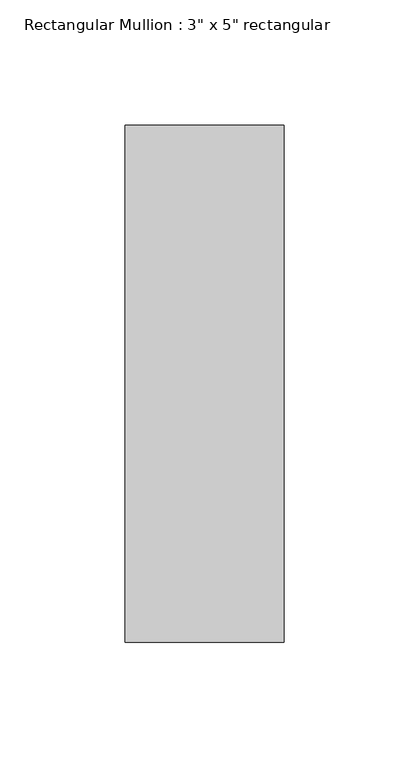
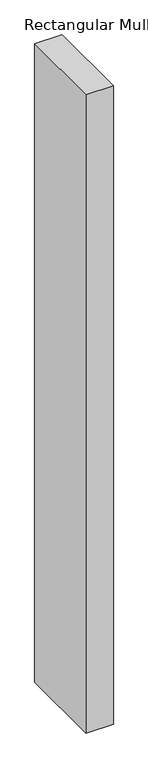
"""IFC4 building model written with IfcOpenShell, lengths in millimetres: member geometry."""

import ifcopenshell
import ifcopenshell.guid

model = None  # the IFC model being written
_history = None  # IfcOwnerHistory: only IFC2X3 demands one
_inside = {}  # id of a spatial element -> (the spatial element, [elements in it])
_under = {}  # id of a project, library or spatial element -> (it, [spatial elements below it])
_declared = {}  # id of a project -> (the project, [libraries it declares])
_typed = {}  # id of a type object -> (the type object, [elements of that type])
_made_of = {}  # id of a material, layer set ... -> (it, [elements and type objects made of it])


def new_model(schema):
    """Start an empty IFC model of exactly this schema.

    Asked for "IFC4X3", IfcOpenShell would pick the latest addendum, in which some entities
    have other attributes; the version numbers below select the first issue.
    IFC2X3 requires an IfcOwnerHistory on every rooted entity: one is made here for all.
    """
    global model, _history
    if schema == "IFC4X3":
        model = ifcopenshell.file(schema_version=(4, 3, 0, 0))
    else:
        model = ifcopenshell.file(schema=schema)
    _inside.clear()
    _under.clear()
    _declared.clear()
    _typed.clear()
    _made_of.clear()
    _history = None
    if model.schema == "IFC2X3":
        org = make("IfcOrganization", Name="unknown")
        user = make(
            "IfcPersonAndOrganization",
            ThePerson=make("IfcPerson", FamilyName="unknown"),
            TheOrganization=org,
        )
        app = make(
            "IfcApplication",
            ApplicationDeveloper=org,
            Version="unknown",
            ApplicationFullName="unknown",
            ApplicationIdentifier="unknown",
        )
        _history = make(
            "IfcOwnerHistory",
            OwningUser=user,
            OwningApplication=app,
            ChangeAction="ADDED",
            CreationDate=0,
        )
    return model


def make(cls, **values):
    """One entity of the class cls with the attributes given. An attribute that is None is left unset."""
    return model.create_entity(
        cls, **{name: value for name, value in values.items() if value is not None}
    )


def rooted(cls, **values):
    """An entity with a GlobalId (a new one), such as an element, a storey or a relation."""
    return make(cls, GlobalId=ifcopenshell.guid.new(), OwnerHistory=_history, **values)


def si_unit(unit_type, name, prefix=None):
    """IfcSIUnit, for example si_unit("LENGTHUNIT", "METRE", prefix="MILLI")."""
    return make("IfcSIUnit", UnitType=unit_type, Prefix=prefix, Name=name)


def assignment(units):
    """IfcUnitAssignment: the units of a project."""
    return None if units is None else make("IfcUnitAssignment", Units=units)


def point(xyz):
    """IfcCartesianPoint."""
    return None if xyz is None else make("IfcCartesianPoint", Coordinates=xyz)


def direction(xyz):
    """IfcDirection."""
    return None if xyz is None else make("IfcDirection", DirectionRatios=xyz)


def frame(location, z_axis=None, x_axis=None):
    """IfcAxis2Placement3D, a coordinate frame: its origin and axes. An axis left out is left unset."""
    return make(
        "IfcAxis2Placement3D",
        Location=point(location),
        Axis=direction(z_axis),
        RefDirection=direction(x_axis),
    )


def origin():
    """The frame at (0, 0, 0) with its axes left unset."""
    return frame((0.0, 0.0, 0.0))


def place(relative_to, where):
    """IfcLocalPlacement: puts the frame where relative to a parent placement (None: the world)."""
    return make(
        "IfcLocalPlacement", PlacementRelTo=relative_to, RelativePlacement=where
    )


def context(
    kind, dimensions, precision=None, world=None, true_north=None, identifier=None
):
    """IfcGeometricRepresentationContext, for example the 3D "Model" context."""
    return make(
        "IfcGeometricRepresentationContext",
        ContextIdentifier=identifier,
        ContextType=kind,
        CoordinateSpaceDimension=dimensions,
        Precision=precision,
        WorldCoordinateSystem=world,
        TrueNorth=true_north,
    )


def project(units=None, contexts=None):
    """IfcProject with its units and contexts."""
    return rooted(
        "IfcProject",
        Name="project",
        RepresentationContexts=contexts,
        UnitsInContext=assignment(units),
    )


def spatial(cls, under=None, at=None, **own):
    """A site, building, storey or space (cls), placed at a placement, below another one or the project."""
    s = rooted(cls, ObjectPlacement=at, **own)
    if under is not None:
        _under.setdefault(under.id(), (under, []))[1].append(s)
    return s


def polyline(points):
    """IfcPolyline through the points."""
    return make("IfcPolyline", Points=[point(p) for p in points])


def outline(outer, holes=None, kind="AREA"):
    """IfcArbitraryClosedProfileDef: a profile drawn as a closed curve; with holes, ...WithVoids."""
    if holes is None:
        return make("IfcArbitraryClosedProfileDef", ProfileType=kind, OuterCurve=outer)
    return make(
        "IfcArbitraryProfileDefWithVoids",
        ProfileType=kind,
        OuterCurve=outer,
        InnerCurves=holes,
    )


def extrude(swept, where, along, depth):
    """IfcExtrudedAreaSolid: the profile swept, set in the frame where, extruded along a direction by depth."""
    return make(
        "IfcExtrudedAreaSolid",
        SweptArea=swept,
        Position=where,
        ExtrudedDirection=direction(along),
        Depth=depth,
    )


def shape(context_of_items, identifier, shape_type, items):
    """IfcShapeRepresentation: the items that make up one representation, for example the "Body"."""
    return make(
        "IfcShapeRepresentation",
        ContextOfItems=context_of_items,
        RepresentationIdentifier=identifier,
        RepresentationType=shape_type,
        Items=items,
    )


def source(mapping_origin, context_of_items, identifier, shape_type, items):
    """IfcRepresentationMap: a shape defined once, which mapped items show again and again."""
    return make(
        "IfcRepresentationMap",
        MappingOrigin=mapping_origin,
        MappedRepresentation=shape(context_of_items, identifier, shape_type, items),
    )


def transform(
    local_origin,
    x_axis=None,
    y_axis=None,
    z_axis=None,
    scale=None,
    scale2=None,
    scale3=None,
    uniform=True,
):
    """IfcCartesianTransformationOperator3D, or its non-uniform kind. x_axis, y_axis, z_axis: its Axis1, 2, 3."""
    if uniform:
        return make(
            "IfcCartesianTransformationOperator3D",
            Axis1=direction(x_axis),
            Axis2=direction(y_axis),
            LocalOrigin=point(local_origin),
            Scale=scale,
            Axis3=direction(z_axis),
        )
    return make(
        "IfcCartesianTransformationOperator3DnonUniform",
        Axis1=direction(x_axis),
        Axis2=direction(y_axis),
        LocalOrigin=point(local_origin),
        Scale=scale,
        Axis3=direction(z_axis),
        Scale2=scale2,
        Scale3=scale3,
    )


def mapped(mapping_source, mapping_target):
    """IfcMappedItem: shows the shape of a source again, moved by a transform."""
    return make(
        "IfcMappedItem", MappingSource=mapping_source, MappingTarget=mapping_target
    )


def made_of(thing, what):
    """Note that an element or type object is made of a material, layer set ...; save() writes the relation."""
    if what is not None:
        _made_of.setdefault(what.id(), (what, []))[1].append(thing)
    return thing


def element(
    cls,
    number,
    at=None,
    inside=None,
    cuts=None,
    type_object=None,
    material=None,
    context=None,
    identifier="Body",
    shape_type=None,
    held_by="IfcProductDefinitionShape",
    body=None,
    shapes=None,
    **own,
):
    """One element of the class cls, such as IfcWall. Its Tag is "e" and its number.

    at: its placement. inside: the storey or other place that contains it. cuts: it is an
    opening in that element (IfcRelVoidsElement). A single representation is given by context,
    identifier, shape_type and body (its items); several are given by shapes. held_by: the class
    of the entity that holds the representations. save() writes the other relations.
    """
    e = rooted(cls, Tag="e%d" % number, ObjectPlacement=at, **own)
    if body is not None:
        shapes = [shape(context, identifier, shape_type, body)]
    if shapes is not None:
        e.Representation = make(held_by, Representations=shapes)
    if inside is not None:
        _inside.setdefault(inside.id(), (inside, []))[1].append(e)
    if cuts is not None:
        rooted(
            "IfcRelVoidsElement", RelatingBuildingElement=cuts, RelatedOpeningElement=e
        )
    if type_object is not None:
        _typed.setdefault(type_object.id(), (type_object, []))[1].append(e)
    return made_of(e, material)


def aggregate(whole, parts):
    """IfcRelAggregates: a whole, such as a stair, and the parts it consists of."""
    return rooted("IfcRelAggregates", RelatingObject=whole, RelatedObjects=parts)


def save(model, path):
    """Write the relations noted so far, then the file.

    IfcRelAggregates (storeys below a building ...), IfcRelContainedInSpatialStructure (elements
    in a storey), IfcRelDefinesByType, IfcRelAssociatesMaterial and IfcRelDeclares: one each for
    every whole, place, type object, material and project.
    """
    for whole, parts in _under.values():
        aggregate(whole, parts)
    for where, things in _inside.values():
        rooted(
            "IfcRelContainedInSpatialStructure",
            RelatedElements=things,
            RelatingStructure=where,
        )
    for kind, things in _typed.values():
        rooted("IfcRelDefinesByType", RelatedObjects=things, RelatingType=kind)
    for what, things in _made_of.values():
        rooted("IfcRelAssociatesMaterial", RelatedObjects=things, RelatingMaterial=what)
    for by, libraries in _declared.values():
        rooted("IfcRelDeclares", RelatingContext=by, RelatedDefinitions=libraries)
    model.write(path)


def member_e9175855(model_context):
    return source(origin(), model_context, "Body", "SweptSolid", [
        extrude(outline(polyline([(0.0, 90.551), (0.0, -115.951), (-63.5, -115.951), (-63.5, 90.551), (0.0, 90.551)])), frame((0.0, 0.0, -1568.45), z_axis=(0.0, 0.0, 1.0), x_axis=(1.0, 0.0, 0.0)), (0.0, 0.0, 1.0), 1568.45),
    ])


if __name__ == "__main__":
    model = new_model("IFC4")
    model_context = context("Model", 3, world=origin())
    ifc_project = project(units=[si_unit("LENGTHUNIT", "METRE", prefix="MILLI")], contexts=[model_context])
    site = spatial("IfcSite", under=ifc_project)
    building = spatial("IfcBuilding", under=site)
    placement = place(None, origin())
    member_shape = member_e9175855(model_context)
    element("IfcMember", 1, ObjectType="Rectangular Mullion : 3\" x 5\" rectangular", at=placement, inside=building, context=model_context, shape_type="MappedRepresentation", body=[
        mapped(member_shape, transform((0.0, 0.0, 0.0), x_axis=(1.0, 0.0, 0.0), y_axis=(0.0, 1.0, 0.0), z_axis=(0.0, 0.0, 1.0))),
    ])
    save(model, "model.ifc")
